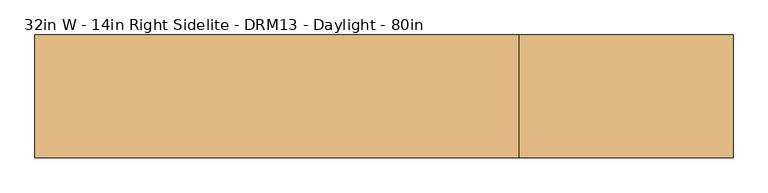
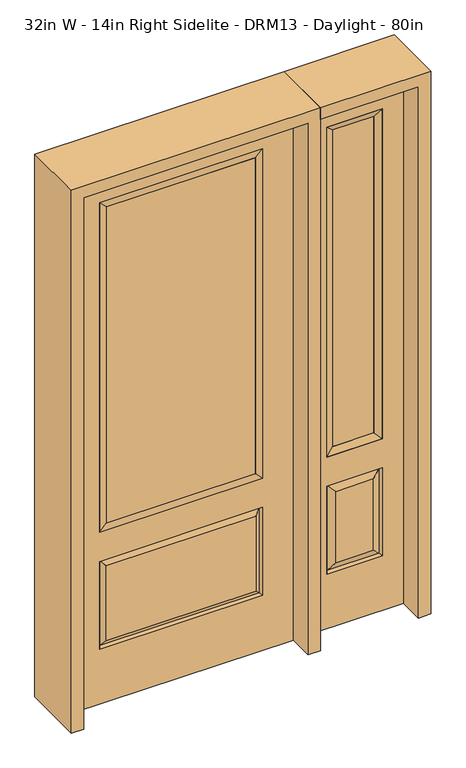
"""IFC4 building model written with IfcOpenShell, lengths in millimetres: door geometry, 32in W - 14in Right Sidelite - DRM13 - Daylight - 80in."""

from ifc_helpers import new_model, si_unit, frame, origin, place, context, project, spatial, polyline, outline, extrude, faceted_brep, source, transform, mapped, element, save


def door_32in_w_14in_right_sidelite_drm13_daylight_80in_b11d0d1d(model_context):
    return source(origin(), model_context, "Body", "SolidModel", [
        faceted_brep([(450.85, -22.225, 0.0), (806.45, -22.225, 0.0), (806.45, -22.225, 2032.0), (450.85, -22.225, 2032.0), (728.98, -22.225, 1919.224), (728.98, -22.225, 657.098), (528.32, -22.225, 657.098), (528.32, -22.225, 1919.224), (728.98, -22.225, 209.55), (528.32, -22.225, 209.55), (528.32, -22.225, 546.1), (728.98, -22.225, 546.1), (560.0351001, -22.225, 241.2651001), (697.2648999, -22.225, 241.2651001), (697.2648999, -22.225, 514.3848999), (560.0351001, -22.225, 514.3848999), (450.85, 22.225, 0.0), (450.85, 22.225, 2032.0), (806.45, 22.225, 2032.0), (806.45, 22.225, 0.0), (728.98, 22.225, 1919.224), (528.32, 22.225, 1919.224), (528.32, 22.225, 657.098), (728.98, 22.225, 657.098), (528.32, 22.225, 209.55), (728.98, 22.225, 209.55), (728.98, 22.225, 546.1), (528.32, 22.225, 546.1), (697.2648999, 22.225, 241.2651001), (560.0351001, 22.225, 241.2651001), (560.0351001, 22.225, 514.3848999), (697.2648999, 22.225, 514.3848999), (721.8711499, 12.7912373, 216.6588501), (535.4288501, 12.7912373, 216.6588501), (535.4288501, 12.7912373, 538.9911499), (721.8711499, 12.7912373, 538.9911499), (535.4288501, -12.7912373, 216.6588501), (721.8711499, -12.7912373, 216.6588501), (535.4288501, -12.7912373, 538.9911499), (721.8711499, -12.7912373, 538.9911499)], [[[0, 1, 2, 3], [4, 5, 6, 7], [8, 9, 10, 11]], [[12, 13, 14, 15]], [[16, 17, 18, 19], [20, 21, 22, 23], [24, 25, 26, 27]], [[28, 29, 30, 31]], [[1, 0, 16, 19]], [[2, 1, 19, 18]], [[3, 2, 18, 17]], [[0, 3, 17, 16]], [[5, 4, 20, 23]], [[6, 5, 23, 22]], [[7, 6, 22, 21]], [[4, 7, 21, 20]], [[32, 33, 29, 28]], [[33, 32, 25, 24]], [[29, 33, 34, 30]], [[33, 24, 27, 34]], [[30, 34, 35, 31]], [[34, 27, 26, 35]], [[32, 28, 31, 35]], [[25, 32, 35, 26]], [[12, 36, 37, 13]], [[37, 36, 9, 8]], [[36, 12, 15, 38]], [[9, 36, 38, 10]], [[38, 15, 14, 39]], [[10, 38, 39, 11]], [[13, 37, 39, 14]], [[37, 8, 11, 39]]]),
        faceted_brep([(528.32, 22.225, 1919.224), (528.32, -22.225, 1919.224), (728.98, -22.225, 1919.224), (728.98, 22.225, 1919.224), (553.72, 12.7, 1893.824), (703.58, 12.7, 1893.824), (553.72, -12.7, 1893.824), (703.58, -12.7, 1893.824), (728.98, -22.225, 657.098), (728.98, 22.225, 657.098), (703.58, 12.7, 682.498), (703.58, -12.7, 682.498), (528.32, -22.225, 657.098), (528.32, 22.225, 657.098), (553.72, 12.7, 682.498), (553.72, -12.7, 682.498)], [[[0, 1, 2, 3]], [[4, 0, 3, 5]], [[6, 4, 5, 7]], [[1, 6, 7, 2]], [[3, 2, 8, 9]], [[5, 3, 9, 10]], [[7, 5, 10, 11]], [[2, 7, 11, 8]], [[9, 8, 12, 13]], [[10, 9, 13, 14]], [[11, 10, 14, 15]], [[8, 11, 15, 12]], [[13, 12, 1, 0]], [[14, 13, 0, 4]], [[15, 14, 4, 6]], [[12, 15, 6, 1]]]),
        extrude(outline(polyline([(703.58, -12.7), (553.72, -12.7), (553.72, 12.7), (703.58, 12.7), (703.58, -12.7)])), frame((0.0, 0.0, 682.498), z_axis=(0.0, 0.0, 1.0), x_axis=(1.0, 0.0, 0.0)), (0.0, 0.0, 1.0), 1211.326),
        faceted_brep([(-288.1661499, -12.7912373, 216.6588501), (288.1661499, -12.7912373, 216.6588501), (270.66875, -22.225, 234.15625), (-270.66875, -22.225, 234.15625), (-295.275, -22.225, 209.55), (295.275, -22.225, 209.55), (-288.1661499, -12.7912373, 538.9911499), (-295.275, -22.225, 546.1), (270.66875, -22.225, 521.49375), (-270.66875, -22.225, 521.49375), (406.4, -22.225, 2032.0), (-406.4, -22.225, 2032.0), (-406.4, -22.225, 0.0), (406.4, -22.225, 0.0), (295.275, -22.225, 546.1), (295.275, -22.225, 1917.7), (295.275, -22.225, 657.098), (-295.275, -22.225, 657.098), (-295.275, -22.225, 1917.7), (288.1661499, -12.7912373, 538.9911499), (-406.4, 22.225, 2032.0), (-406.4, 22.225, 0.0), (406.4, 22.225, 0.0), (406.4, 22.225, 2032.0), (295.275, 22.225, 1917.7), (295.275, 22.225, 657.098), (-295.275, 22.225, 657.098), (-295.275, 22.225, 1917.7), (-295.275, 22.225, 209.55), (295.275, 22.225, 209.55), (295.275, 22.225, 546.1), (-295.275, 22.225, 546.1), (270.66875, 22.225, 234.15625), (-270.66875, 22.225, 234.15625), (-270.66875, 22.225, 521.49375), (270.66875, 22.225, 521.49375), (-288.1661499, 12.7912373, 216.6588501), (288.1661499, 12.7912373, 216.6588501), (288.1661499, 12.7912373, 538.9911499), (-288.1661499, 12.7912373, 538.9911499)], [[[0, 1, 2, 3]], [[1, 0, 4, 5]], [[4, 0, 6, 7]], [[3, 2, 8, 9]], [[10, 11, 12, 13], [5, 4, 7, 14], [15, 16, 17, 18]], [[1, 5, 14, 19]], [[2, 1, 19, 8]], [[0, 3, 9, 6]], [[7, 6, 19, 14]], [[6, 9, 8, 19]], [[12, 11, 20, 21]], [[13, 12, 21, 22]], [[10, 13, 22, 23]], [[16, 15, 24, 25]], [[17, 16, 25, 26]], [[18, 17, 26, 27]], [[23, 22, 21, 20], [28, 29, 30, 31], [24, 27, 26, 25]], [[32, 33, 34, 35]], [[28, 36, 37, 29]], [[29, 37, 38, 30]], [[39, 31, 30, 38]], [[36, 28, 31, 39]], [[37, 36, 33, 32]], [[33, 36, 39, 34]], [[34, 39, 38, 35]], [[37, 32, 35, 38]], [[11, 10, 23, 20]], [[15, 18, 27, 24]]]),
        faceted_brep([(-295.275, -22.225, 1917.7), (-295.275, 22.225, 1917.7), (-295.275, 22.225, 657.098), (-295.275, -22.225, 657.098), (295.275, 22.225, 657.098), (295.275, -22.225, 657.098), (-269.875, 5.08, 682.498), (269.875, 5.08, 682.498), (295.275, 22.225, 1917.7), (295.275, -22.225, 1917.7), (-269.875, -20.32, 682.498), (269.875, -20.32, 682.498), (-269.875, -20.32, 1892.3), (269.875, -20.32, 1892.3), (-269.875, 5.08, 1892.3), (269.875, 5.08, 1892.3)], [[[0, 1, 2, 3]], [[3, 2, 4, 5]], [[2, 6, 7, 4]], [[5, 4, 8, 9]], [[10, 3, 5, 11]], [[12, 0, 3, 10]], [[11, 5, 9, 13]], [[6, 10, 11, 7]], [[14, 12, 10, 6]], [[7, 11, 13, 15]], [[1, 14, 6, 2]], [[4, 7, 15, 8]], [[9, 8, 1, 0]], [[13, 9, 0, 12]], [[15, 13, 12, 14]], [[8, 15, 14, 1]]]),
        extrude(outline(polyline([(269.875, -20.32), (-269.875, -20.32), (-269.875, 5.08), (269.875, 5.08), (269.875, -20.32)])), frame((0.0, 0.0, 682.498), z_axis=(0.0, 0.0, 1.0), x_axis=(1.0, 0.0, 0.0)), (0.0, 0.0, 1.0), 1209.802),
        extrude(outline(polyline([(2076.45, -450.85), (0.0, -450.85), (0.0, -406.4), (2032.0, -406.4), (2032.0, 406.4), (0.0, 406.4), (0.0, 450.85), (2076.45, 450.85), (2076.45, -450.85)])), frame((0.0, -114.3, 0.0), z_axis=(0.0, 1.0, 0.0), x_axis=(0.0, 0.0, 1.0)), (0.0, 0.0, 1.0), 228.6),
        extrude(outline(polyline([(0.0, 806.45), (0.0, 850.9), (2076.45, 850.9), (2076.45, 450.85), (2032.0, 450.85), (2032.0, 806.45), (0.0, 806.45)])), frame((0.0, -114.3, 0.0), z_axis=(0.0, 1.0, 0.0), x_axis=(0.0, 0.0, 1.0)), (0.0, 0.0, 1.0), 228.6),
    ])


if __name__ == "__main__":
    model = new_model("IFC4")
    model_context = context("Model", 3, world=origin())
    ifc_project = project(units=[si_unit("LENGTHUNIT", "METRE", prefix="MILLI")], contexts=[model_context])
    site = spatial("IfcSite", under=ifc_project)
    building = spatial("IfcBuilding", under=site)
    placement = place(None, origin())
    door_32in_w_14in_right_sidelite_drm13_daylight_80in_shape = door_32in_w_14in_right_sidelite_drm13_daylight_80in_b11d0d1d(model_context)
    element("IfcDoor", 1, ObjectType="32in W - 14in Right Sidelite - DRM13 - Daylight - 80in", at=placement, inside=building, context=model_context, shape_type="MappedRepresentation", body=[
        mapped(door_32in_w_14in_right_sidelite_drm13_daylight_80in_shape, transform((0.0, 0.0, 0.0), x_axis=(1.0, 0.0, 0.0), y_axis=(0.0, 1.0, 0.0), z_axis=(0.0, 0.0, 1.0))),
    ])
    save(model, "model.ifc")
